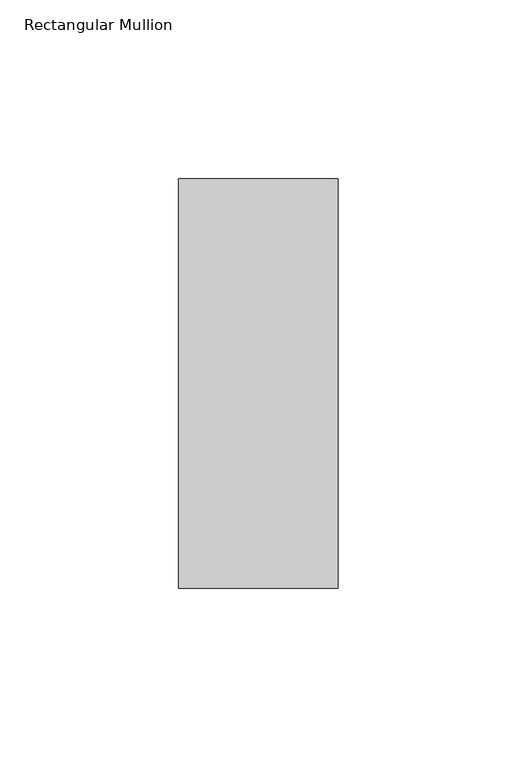
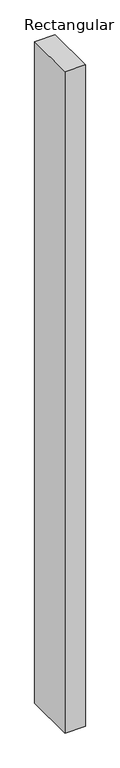
"""IFC4 building model written with IfcOpenShell, lengths in millimetres: member geometry, Rectangular Mullion."""

from ifc_helpers import new_model, si_unit, frame, origin, place, context, project, spatial, polyline, outline, extrude, source, transform, mapped, element, save


def rectangular_mullion_813a2dbf(model_context):
    return source(origin(), model_context, "Body", "SweptSolid", [
        extrude(outline(polyline([(0.0, 57.1464454), (0.0, -57.1475778), (-44.45, -57.1475778), (-44.45, 57.1464454), (0.0, 57.1464454)])), frame((0.0, 0.0, -1524.0), z_axis=(0.0, 0.0, 1.0), x_axis=(1.0, 0.0, 0.0)), (0.0, 0.0, 1.0), 1524.0),
    ])


if __name__ == "__main__":
    model = new_model("IFC4")
    model_context = context("Model", 3, world=origin())
    ifc_project = project(units=[si_unit("LENGTHUNIT", "METRE", prefix="MILLI")], contexts=[model_context])
    site = spatial("IfcSite", under=ifc_project)
    building = spatial("IfcBuilding", under=site)
    placement = place(None, origin())
    rectangular_mullion_shape = rectangular_mullion_813a2dbf(model_context)
    element("IfcMember", 1, ObjectType="Rectangular Mullion", at=placement, inside=building, context=model_context, shape_type="MappedRepresentation", body=[
        mapped(rectangular_mullion_shape, transform((0.0, 0.0, 0.0), x_axis=(1.0, 0.0, 0.0), y_axis=(0.0, 1.0, 0.0), z_axis=(0.0, 0.0, 1.0))),
    ])
    save(model, "model.ifc")
